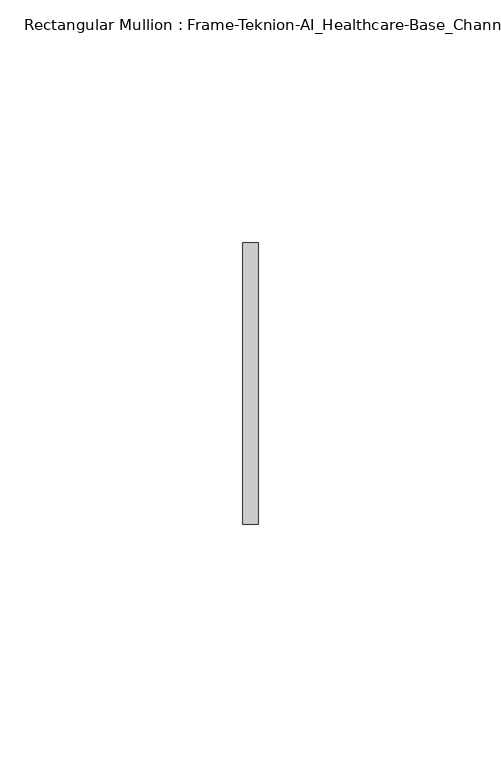
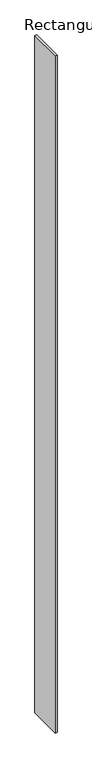
"""IFC4 building model written with IfcOpenShell, lengths in millimetres: member geometry, Rectangular Mullion : Frame-Teknion-AI_Healthcare-Base_Channel."""

from ifc_helpers import new_model, si_unit, frame, origin, place, context, project, spatial, polyline, outline, extrude, source, transform, mapped, element, save


def rectangular_mullion_frame_teknion_ai_healthcare_base_channel_6e8fa7b4(model_context):
    return source(origin(), model_context, "Body", "SweptSolid", [
        extrude(outline(polyline([(0.0, 29.0214844), (0.0, -29.0214844), (-3.175, -29.0214844), (-3.175, 29.0214844), (0.0, 29.0214844)])), frame((0.0, 0.0, -1184.8924882), z_axis=(0.0, 0.0, 1.0), x_axis=(1.0, 0.0, 0.0)), (0.0, 0.0, 1.0), 1184.8924882),
    ])


if __name__ == "__main__":
    model = new_model("IFC4")
    model_context = context("Model", 3, world=origin())
    ifc_project = project(units=[si_unit("LENGTHUNIT", "METRE", prefix="MILLI")], contexts=[model_context])
    site = spatial("IfcSite", under=ifc_project)
    building = spatial("IfcBuilding", under=site)
    placement = place(None, origin())
    rectangular_mullion_frame_teknion_ai_healthcare_base_channel_shape = rectangular_mullion_frame_teknion_ai_healthcare_base_channel_6e8fa7b4(model_context)
    element("IfcMember", 1, ObjectType="Rectangular Mullion : Frame-Teknion-AI_Healthcare-Base_Channel", at=placement, inside=building, context=model_context, shape_type="MappedRepresentation", body=[
        mapped(rectangular_mullion_frame_teknion_ai_healthcare_base_channel_shape, transform((0.0, 0.0, 0.0), x_axis=(1.0, 0.0, 0.0), y_axis=(0.0, 1.0, 0.0), z_axis=(0.0, 0.0, 1.0))),
    ])
    save(model, "model.ifc")
